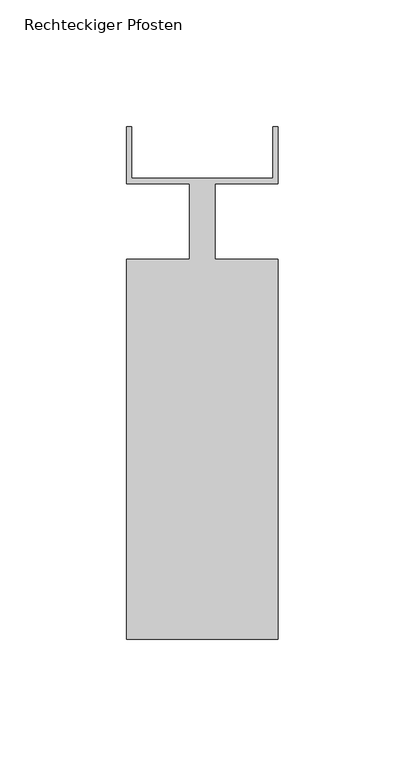
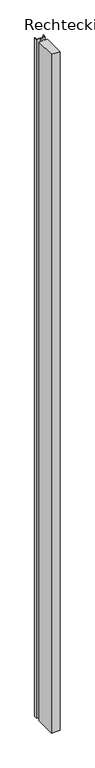
"""IFC4 building model written with IfcOpenShell, lengths in millimetres: member geometry, Rechteckiger Pfosten."""

from ifc_helpers import new_model, si_unit, frame, origin, place, context, project, spatial, polyline, outline, extrude, source, transform, mapped, element, save


def rechteckiger_pfosten_d3597c77(model_context):
    return source(origin(), model_context, "Body", "SweptSolid", [
        extrude(outline(polyline([(-2.0, 37.5), (0.0, 37.5), (0.0, 15.0), (-25.0, 15.0), (-25.0, -15.0), (0.0, -15.0), (0.0, -165.0), (-60.0, -165.0), (-60.0, -15.0), (-35.0, -15.0), (-35.0, 15.0), (-60.0, 15.0), (-60.0, 37.5), (-58.0, 37.5), (-58.0, 17.0), (-2.0, 17.0), (-2.0, 37.5)])), frame((0.0, 0.0, -4999.9999995), z_axis=(0.0, 0.0, 1.0), x_axis=(1.0, 0.0, 0.0)), (0.0, 0.0, 1.0), 4999.9999995),
    ])


if __name__ == "__main__":
    model = new_model("IFC4")
    model_context = context("Model", 3, world=origin())
    ifc_project = project(units=[si_unit("LENGTHUNIT", "METRE", prefix="MILLI")], contexts=[model_context])
    site = spatial("IfcSite", under=ifc_project)
    building = spatial("IfcBuilding", under=site)
    placement = place(None, origin())
    rechteckiger_pfosten_shape = rechteckiger_pfosten_d3597c77(model_context)
    element("IfcMember", 1, ObjectType="Rechteckiger Pfosten", at=placement, inside=building, context=model_context, shape_type="MappedRepresentation", body=[
        mapped(rechteckiger_pfosten_shape, transform((0.0, 0.0, 0.0), x_axis=(1.0, 0.0, 0.0), y_axis=(0.0, 1.0, 0.0), z_axis=(0.0, 0.0, 1.0))),
    ])
    save(model, "model.ifc")
